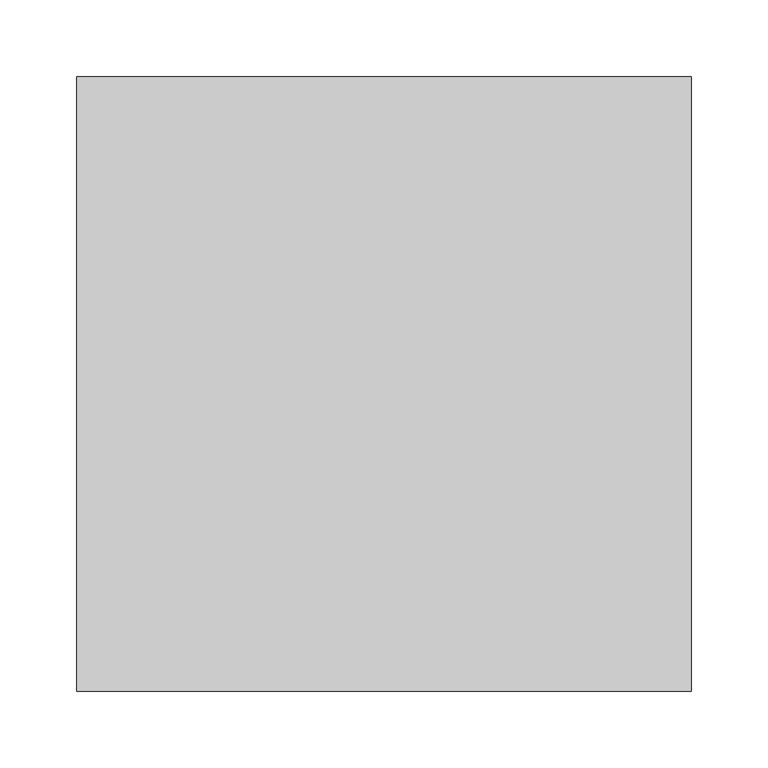
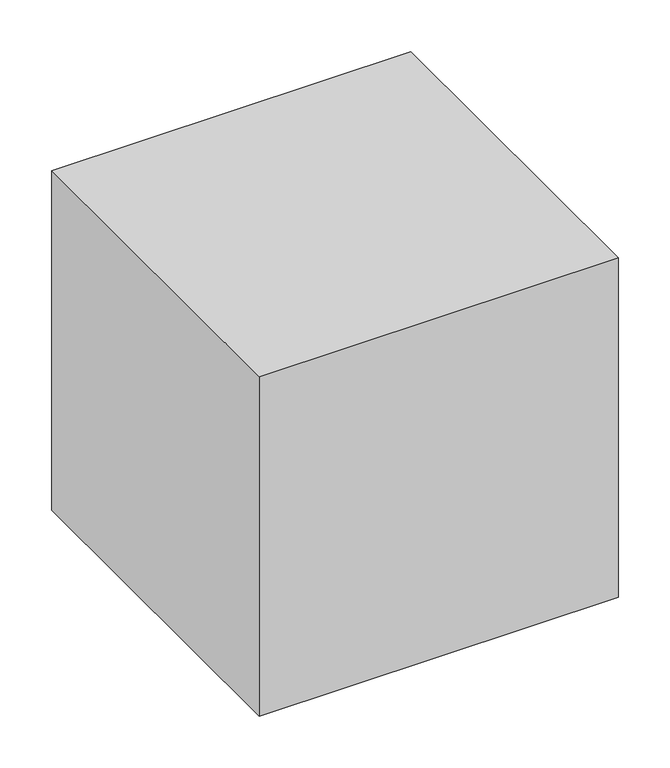
"""IFC4 building model written with IfcOpenShell, lengths in millimetres: proxy geometry."""

import ifcopenshell
import ifcopenshell.guid

model = None  # the IFC model being written
_history = None  # IfcOwnerHistory: only IFC2X3 demands one
_inside = {}  # id of a spatial element -> (the spatial element, [elements in it])
_under = {}  # id of a project, library or spatial element -> (it, [spatial elements below it])
_declared = {}  # id of a project -> (the project, [libraries it declares])
_typed = {}  # id of a type object -> (the type object, [elements of that type])
_made_of = {}  # id of a material, layer set ... -> (it, [elements and type objects made of it])


def new_model(schema):
    """Start an empty IFC model of exactly this schema.

    Asked for "IFC4X3", IfcOpenShell would pick the latest addendum, in which some entities
    have other attributes; the version numbers below select the first issue.
    IFC2X3 requires an IfcOwnerHistory on every rooted entity: one is made here for all.
    """
    global model, _history
    if schema == "IFC4X3":
        model = ifcopenshell.file(schema_version=(4, 3, 0, 0))
    else:
        model = ifcopenshell.file(schema=schema)
    _inside.clear()
    _under.clear()
    _declared.clear()
    _typed.clear()
    _made_of.clear()
    _history = None
    if model.schema == "IFC2X3":
        org = make("IfcOrganization", Name="unknown")
        user = make(
            "IfcPersonAndOrganization",
            ThePerson=make("IfcPerson", FamilyName="unknown"),
            TheOrganization=org,
        )
        app = make(
            "IfcApplication",
            ApplicationDeveloper=org,
            Version="unknown",
            ApplicationFullName="unknown",
            ApplicationIdentifier="unknown",
        )
        _history = make(
            "IfcOwnerHistory",
            OwningUser=user,
            OwningApplication=app,
            ChangeAction="ADDED",
            CreationDate=0,
        )
    return model


def make(cls, **values):
    """One entity of the class cls with the attributes given. An attribute that is None is left unset."""
    return model.create_entity(
        cls, **{name: value for name, value in values.items() if value is not None}
    )


def rooted(cls, **values):
    """An entity with a GlobalId (a new one), such as an element, a storey or a relation."""
    return make(cls, GlobalId=ifcopenshell.guid.new(), OwnerHistory=_history, **values)


def si_unit(unit_type, name, prefix=None):
    """IfcSIUnit, for example si_unit("LENGTHUNIT", "METRE", prefix="MILLI")."""
    return make("IfcSIUnit", UnitType=unit_type, Prefix=prefix, Name=name)


def assignment(units):
    """IfcUnitAssignment: the units of a project."""
    return None if units is None else make("IfcUnitAssignment", Units=units)


def point(xyz):
    """IfcCartesianPoint."""
    return None if xyz is None else make("IfcCartesianPoint", Coordinates=xyz)


def direction(xyz):
    """IfcDirection."""
    return None if xyz is None else make("IfcDirection", DirectionRatios=xyz)


def frame(location, z_axis=None, x_axis=None):
    """IfcAxis2Placement3D, a coordinate frame: its origin and axes. An axis left out is left unset."""
    return make(
        "IfcAxis2Placement3D",
        Location=point(location),
        Axis=direction(z_axis),
        RefDirection=direction(x_axis),
    )


def origin():
    """The frame at (0, 0, 0) with its axes left unset."""
    return frame((0.0, 0.0, 0.0))


def origin_with_axes():
    """The frame at (0, 0, 0) with the z axis (0, 0, 1) and the x axis (1, 0, 0) written out."""
    return frame((0.0, 0.0, 0.0), z_axis=(0.0, 0.0, 1.0), x_axis=(1.0, 0.0, 0.0))


def place(relative_to, where):
    """IfcLocalPlacement: puts the frame where relative to a parent placement (None: the world)."""
    return make(
        "IfcLocalPlacement", PlacementRelTo=relative_to, RelativePlacement=where
    )


def context(
    kind, dimensions, precision=None, world=None, true_north=None, identifier=None
):
    """IfcGeometricRepresentationContext, for example the 3D "Model" context."""
    return make(
        "IfcGeometricRepresentationContext",
        ContextIdentifier=identifier,
        ContextType=kind,
        CoordinateSpaceDimension=dimensions,
        Precision=precision,
        WorldCoordinateSystem=world,
        TrueNorth=true_north,
    )


def project(units=None, contexts=None):
    """IfcProject with its units and contexts."""
    return rooted(
        "IfcProject",
        Name="project",
        RepresentationContexts=contexts,
        UnitsInContext=assignment(units),
    )


def spatial(cls, under=None, at=None, **own):
    """A site, building, storey or space (cls), placed at a placement, below another one or the project."""
    s = rooted(cls, ObjectPlacement=at, **own)
    if under is not None:
        _under.setdefault(under.id(), (under, []))[1].append(s)
    return s


def polyline(points):
    """IfcPolyline through the points."""
    return make("IfcPolyline", Points=[point(p) for p in points])


def outline(outer, holes=None, kind="AREA"):
    """IfcArbitraryClosedProfileDef: a profile drawn as a closed curve; with holes, ...WithVoids."""
    if holes is None:
        return make("IfcArbitraryClosedProfileDef", ProfileType=kind, OuterCurve=outer)
    return make(
        "IfcArbitraryProfileDefWithVoids",
        ProfileType=kind,
        OuterCurve=outer,
        InnerCurves=holes,
    )


def extrude(swept, where, along, depth):
    """IfcExtrudedAreaSolid: the profile swept, set in the frame where, extruded along a direction by depth."""
    return make(
        "IfcExtrudedAreaSolid",
        SweptArea=swept,
        Position=where,
        ExtrudedDirection=direction(along),
        Depth=depth,
    )


def shape(context_of_items, identifier, shape_type, items):
    """IfcShapeRepresentation: the items that make up one representation, for example the "Body"."""
    return make(
        "IfcShapeRepresentation",
        ContextOfItems=context_of_items,
        RepresentationIdentifier=identifier,
        RepresentationType=shape_type,
        Items=items,
    )


def source(mapping_origin, context_of_items, identifier, shape_type, items):
    """IfcRepresentationMap: a shape defined once, which mapped items show again and again."""
    return make(
        "IfcRepresentationMap",
        MappingOrigin=mapping_origin,
        MappedRepresentation=shape(context_of_items, identifier, shape_type, items),
    )


def transform(
    local_origin,
    x_axis=None,
    y_axis=None,
    z_axis=None,
    scale=None,
    scale2=None,
    scale3=None,
    uniform=True,
):
    """IfcCartesianTransformationOperator3D, or its non-uniform kind. x_axis, y_axis, z_axis: its Axis1, 2, 3."""
    if uniform:
        return make(
            "IfcCartesianTransformationOperator3D",
            Axis1=direction(x_axis),
            Axis2=direction(y_axis),
            LocalOrigin=point(local_origin),
            Scale=scale,
            Axis3=direction(z_axis),
        )
    return make(
        "IfcCartesianTransformationOperator3DnonUniform",
        Axis1=direction(x_axis),
        Axis2=direction(y_axis),
        LocalOrigin=point(local_origin),
        Scale=scale,
        Axis3=direction(z_axis),
        Scale2=scale2,
        Scale3=scale3,
    )


def mapped(mapping_source, mapping_target):
    """IfcMappedItem: shows the shape of a source again, moved by a transform."""
    return make(
        "IfcMappedItem", MappingSource=mapping_source, MappingTarget=mapping_target
    )


def made_of(thing, what):
    """Note that an element or type object is made of a material, layer set ...; save() writes the relation."""
    if what is not None:
        _made_of.setdefault(what.id(), (what, []))[1].append(thing)
    return thing


def element(
    cls,
    number,
    at=None,
    inside=None,
    cuts=None,
    type_object=None,
    material=None,
    context=None,
    identifier="Body",
    shape_type=None,
    held_by="IfcProductDefinitionShape",
    body=None,
    shapes=None,
    **own,
):
    """One element of the class cls, such as IfcWall. Its Tag is "e" and its number.

    at: its placement. inside: the storey or other place that contains it. cuts: it is an
    opening in that element (IfcRelVoidsElement). A single representation is given by context,
    identifier, shape_type and body (its items); several are given by shapes. held_by: the class
    of the entity that holds the representations. save() writes the other relations.
    """
    e = rooted(cls, Tag="e%d" % number, ObjectPlacement=at, **own)
    if body is not None:
        shapes = [shape(context, identifier, shape_type, body)]
    if shapes is not None:
        e.Representation = make(held_by, Representations=shapes)
    if inside is not None:
        _inside.setdefault(inside.id(), (inside, []))[1].append(e)
    if cuts is not None:
        rooted(
            "IfcRelVoidsElement", RelatingBuildingElement=cuts, RelatedOpeningElement=e
        )
    if type_object is not None:
        _typed.setdefault(type_object.id(), (type_object, []))[1].append(e)
    return made_of(e, material)


def aggregate(whole, parts):
    """IfcRelAggregates: a whole, such as a stair, and the parts it consists of."""
    return rooted("IfcRelAggregates", RelatingObject=whole, RelatedObjects=parts)


def save(model, path):
    """Write the relations noted so far, then the file.

    IfcRelAggregates (storeys below a building ...), IfcRelContainedInSpatialStructure (elements
    in a storey), IfcRelDefinesByType, IfcRelAssociatesMaterial and IfcRelDeclares: one each for
    every whole, place, type object, material and project.
    """
    for whole, parts in _under.values():
        aggregate(whole, parts)
    for where, things in _inside.values():
        rooted(
            "IfcRelContainedInSpatialStructure",
            RelatedElements=things,
            RelatingStructure=where,
        )
    for kind, things in _typed.values():
        rooted("IfcRelDefinesByType", RelatedObjects=things, RelatingType=kind)
    for what, things in _made_of.values():
        rooted("IfcRelAssociatesMaterial", RelatedObjects=things, RelatingMaterial=what)
    for by, libraries in _declared.values():
        rooted("IfcRelDeclares", RelatingContext=by, RelatedDefinitions=libraries)
    model.write(path)


def generic_models_431d6c6c(model_context):
    return source(origin(), model_context, "Body", "SweptSolid", [
        extrude(outline(polyline([(400.0, 400.0), (400.0, 0.0), (0.0, 0.0), (0.0, 400.0), (400.0, 400.0)])), origin_with_axes(), (0.0, 0.0, 1.0), 400.0),
    ])


if __name__ == "__main__":
    model = new_model("IFC4")
    model_context = context("Model", 3, world=origin())
    ifc_project = project(units=[si_unit("LENGTHUNIT", "METRE", prefix="MILLI")], contexts=[model_context])
    site = spatial("IfcSite", under=ifc_project)
    building = spatial("IfcBuilding", under=site)
    placement = place(None, origin())
    generic_models_shape = generic_models_431d6c6c(model_context)
    element("IfcBuildingElementProxy", 1, Name="Generic Models", at=placement, inside=building, context=model_context, shape_type="MappedRepresentation", body=[
        mapped(generic_models_shape, transform((0.0, 0.0, 0.0), x_axis=(1.0, 0.0, 0.0), y_axis=(0.0, 1.0, 0.0), z_axis=(0.0, 0.0, 1.0))),
    ])
    save(model, "model.ifc")
